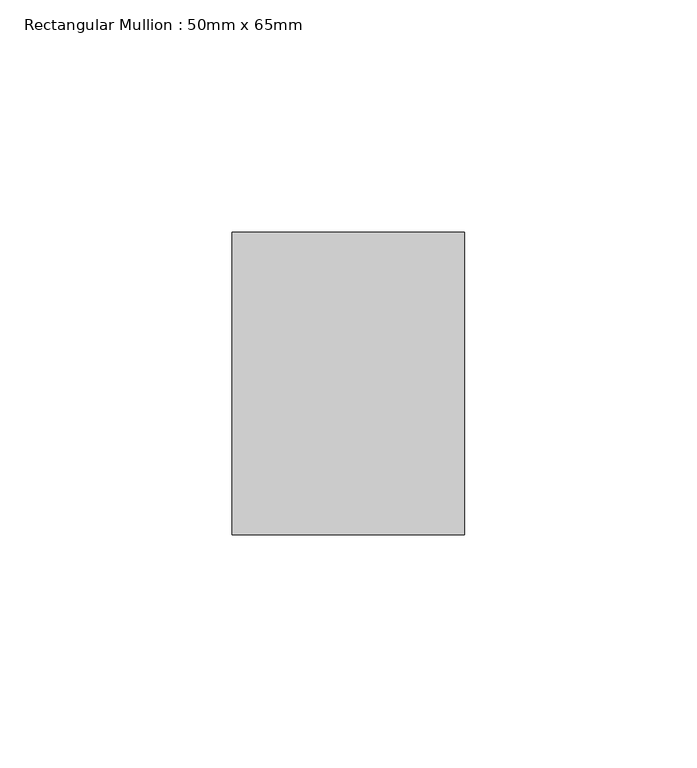
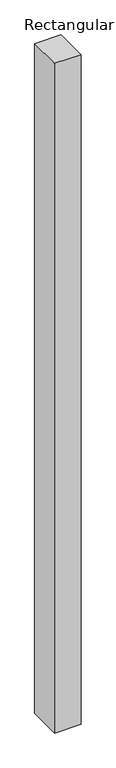
"""IFC4 building model written with IfcOpenShell, lengths in millimetres: member geometry, Rectangular Mullion : 50mm x 65mm."""

from ifc_helpers import new_model, si_unit, frame, origin, place, context, project, spatial, polyline, outline, extrude, source, transform, mapped, element, save


def rectangular_mullion_50mm_x_65mm_16b3472b(model_context):
    return source(origin(), model_context, "Body", "SweptSolid", [
        extrude(outline(polyline([(25.0, 32.5), (25.0, -32.5), (-25.0, -32.5), (-25.0, 32.5), (25.0, 32.5)])), frame((0.0, 0.0, -1337.4790165), z_axis=(0.0, 0.0, 1.0), x_axis=(1.0, 0.0, 0.0)), (0.0, 0.0, 1.0), 1337.4790165),
    ])


if __name__ == "__main__":
    model = new_model("IFC4")
    model_context = context("Model", 3, world=origin())
    ifc_project = project(units=[si_unit("LENGTHUNIT", "METRE", prefix="MILLI")], contexts=[model_context])
    site = spatial("IfcSite", under=ifc_project)
    building = spatial("IfcBuilding", under=site)
    placement = place(None, origin())
    rectangular_mullion_50mm_x_65mm_shape = rectangular_mullion_50mm_x_65mm_16b3472b(model_context)
    element("IfcMember", 1, ObjectType="Rectangular Mullion : 50mm x 65mm", at=placement, inside=building, context=model_context, shape_type="MappedRepresentation", body=[
        mapped(rectangular_mullion_50mm_x_65mm_shape, transform((0.0, 0.0, 0.0), x_axis=(1.0, 0.0, 0.0), y_axis=(0.0, 1.0, 0.0), z_axis=(0.0, 0.0, 1.0))),
    ])
    save(model, "model.ifc")
